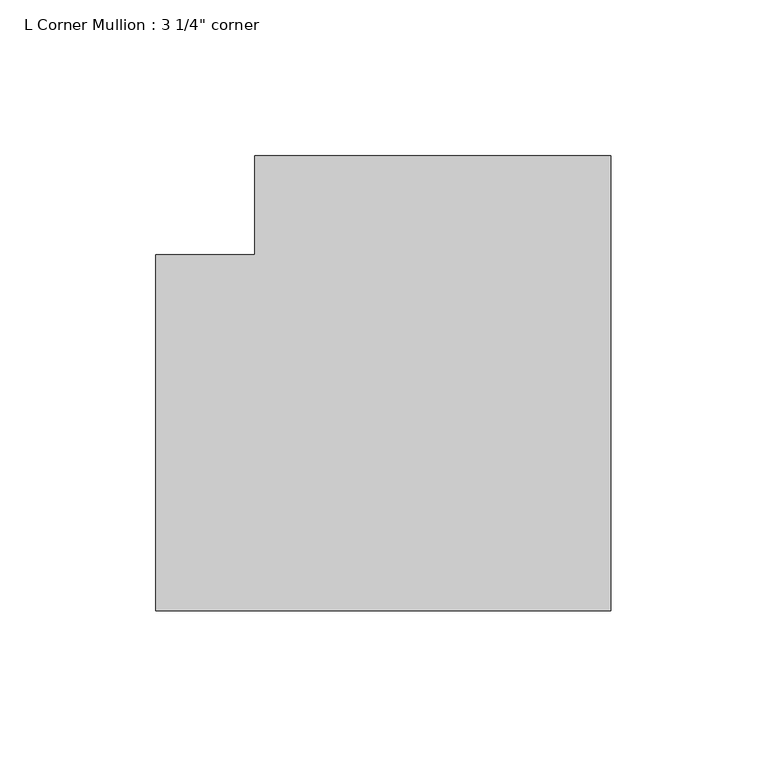
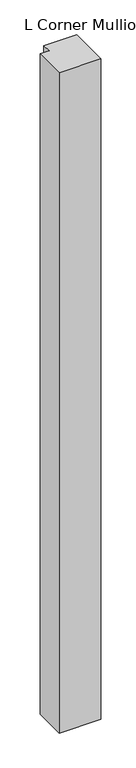
"""IFC4 building model written with IfcOpenShell, lengths in millimetres: member geometry."""

from ifc_helpers import new_model, si_unit, frame, origin, place, context, project, spatial, polyline, outline, extrude, source, transform, mapped, element, save


def member_3960897e(model_context):
    return source(origin(), model_context, "Body", "SweptSolid", [
        extrude(outline(polyline([(57.15, 88.9), (57.15, -57.15), (-88.9, -57.15), (-88.9, 57.15), (-57.15, 57.15), (-57.15, 88.9), (57.15, 88.9)])), frame((0.0, 0.0, -2438.4), z_axis=(0.0, 0.0, 1.0), x_axis=(1.0, 0.0, 0.0)), (0.0, 0.0, 1.0), 2438.4),
    ])


if __name__ == "__main__":
    model = new_model("IFC4")
    model_context = context("Model", 3, world=origin())
    ifc_project = project(units=[si_unit("LENGTHUNIT", "METRE", prefix="MILLI")], contexts=[model_context])
    site = spatial("IfcSite", under=ifc_project)
    building = spatial("IfcBuilding", under=site)
    placement = place(None, origin())
    member_shape = member_3960897e(model_context)
    element("IfcMember", 1, ObjectType="L Corner Mullion : 3 1/4\" corner", at=placement, inside=building, context=model_context, shape_type="MappedRepresentation", body=[
        mapped(member_shape, transform((0.0, 0.0, 0.0), x_axis=(1.0, 0.0, 0.0), y_axis=(0.0, 1.0, 0.0), z_axis=(0.0, 0.0, 1.0))),
    ])
    save(model, "model.ifc")
